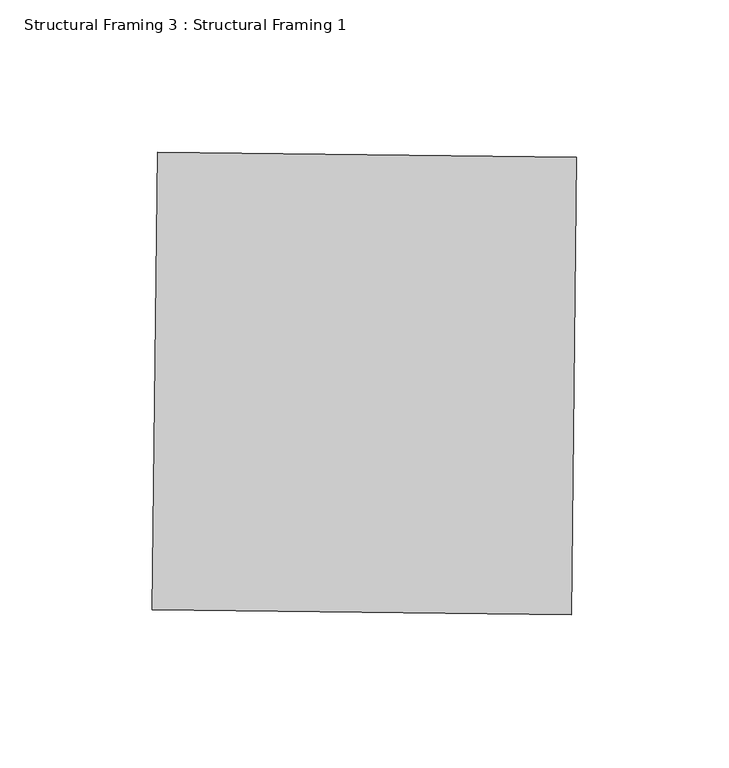
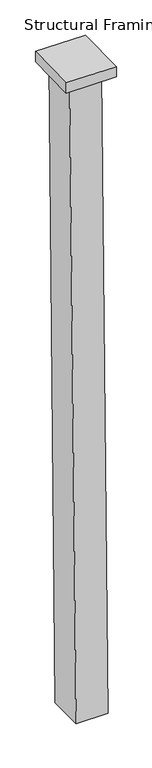
"""IFC4 building model written with IfcOpenShell, lengths in millimetres: beam geometry, Structural Framing 3 : Structural Framing 1."""

from ifc_helpers import new_model, si_unit, frame, origin, place, context, project, spatial, polyline, outline, extrude, source, transform, mapped, element, save


def structural_framing_3_structural_framing_1_aab03ca3(model_context):
    return source(origin(), model_context, "Body", "SweptSolid", [
        extrude(outline(polyline([(-40950.6320011, 40090.54971), (-40948.9623546, 40240.5224796), (-40811.4349404, 40238.9913872), (-40813.1045869, 40089.0186176), (-40950.6320011, 40090.54971)])), frame((0.0, 0.0, 110244.8092049), z_axis=(0.0, 0.0, 1.0), x_axis=(1.0, 0.0, 0.0)), (0.0, 0.0, 1.0), 29.6874424),
        extrude(outline(polyline([(1.0076328, 0.0), (1862.1028789, 0.0), (1860.0728446, -102.8479757), (0.1663664, -100.1112707), (1.0076328, 0.0)])), frame((-40925.8850703, 40215.0434393, 110248.8021482), z_axis=(0.9999075532559417, -0.0111071845139537, 0.007843174987791496), x_axis=(0.007823925794551568, -0.0017754336212693425, -0.9999678164924198)), (0.0, 0.0, 1.0), 86.9487169),
    ])


if __name__ == "__main__":
    model = new_model("IFC4")
    model_context = context("Model", 3, world=origin())
    ifc_project = project(units=[si_unit("LENGTHUNIT", "METRE", prefix="MILLI")], contexts=[model_context])
    site = spatial("IfcSite", under=ifc_project)
    building = spatial("IfcBuilding", under=site)
    placement = place(None, origin())
    structural_framing_3_structural_framing_1_shape = structural_framing_3_structural_framing_1_aab03ca3(model_context)
    element("IfcBeam", 1, ObjectType="Structural Framing 3 : Structural Framing 1", at=placement, inside=building, context=model_context, shape_type="MappedRepresentation", body=[
        mapped(structural_framing_3_structural_framing_1_shape, transform((0.0, 0.0, 0.0), x_axis=(1.0, 0.0, 0.0), y_axis=(0.0, 1.0, 0.0), z_axis=(0.0, 0.0, 1.0))),
    ])
    save(model, "model.ifc")
